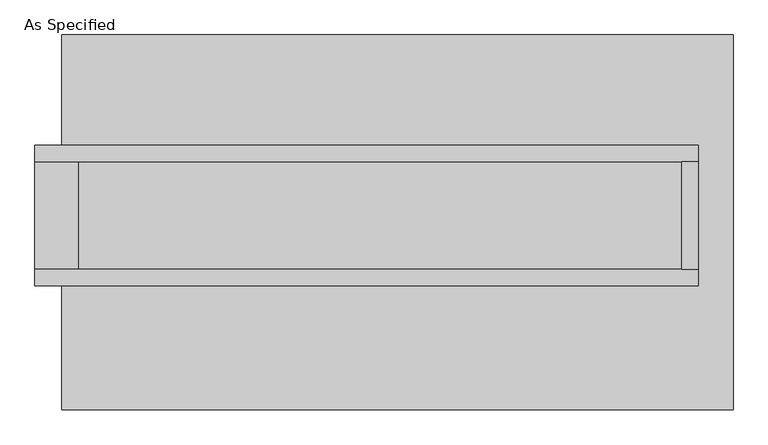
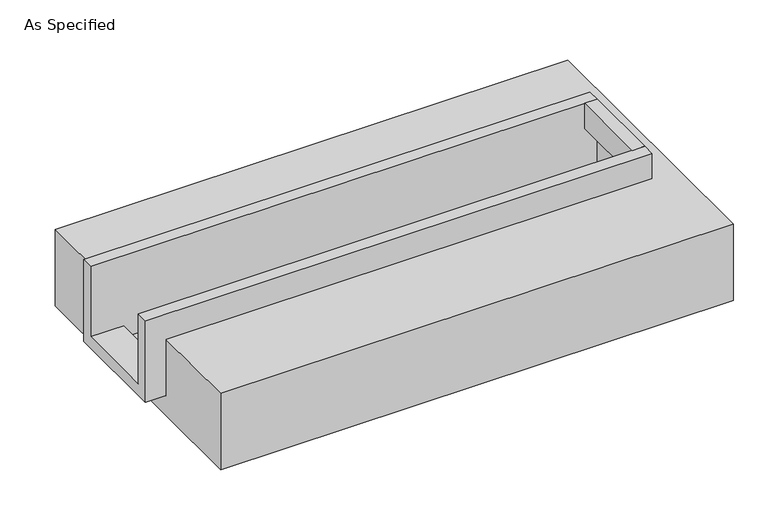
"""IFC4 building model written with IfcOpenShell, lengths in millimetres: proxy geometry, As Specified."""

from ifc_helpers import new_model, si_unit, frame, origin, place, context, project, spatial, polyline, outline, extrude, faceted_brep, source, transform, mapped, element, save


def as_specified_fd5f0c52(model_context):
    return source(origin(), model_context, "Body", "SolidModel", [
        extrude(outline(polyline([(1339.85, 285.75), (1416.05, 285.75), (1416.05, -222.25), (1339.85, -222.25), (1339.85, 285.75)])), frame((0.0, 0.0, -25.4), z_axis=(0.0, 0.0, 1.0), x_axis=(1.0, 0.0, 0.0)), (0.0, 0.0, 1.0), 165.1),
        faceted_brep([(1416.05, 285.75, 139.7), (1416.05, 285.75, -317.5), (1416.05, -222.25, -317.5), (1416.05, -222.25, 139.7), (1416.05, -298.45, 139.7), (1416.05, -298.45, -393.7), (1416.05, 361.95, -393.7), (1416.05, 361.95, 139.7), (-1708.15, 285.75, 139.7), (-1708.15, 361.95, 139.7), (-1708.15, 361.95, -393.7), (-1708.15, -298.45, -393.7), (-1708.15, -298.45, 139.7), (-1708.15, -222.25, 139.7), (-1708.15, -222.25, -317.5), (-1708.15, 285.75, -317.5), (-1504.95, 285.75, -393.7), (-1504.95, -222.25, -393.7), (1339.85, -222.25, -393.7), (1339.85, 285.75, -393.7), (1339.85, -222.25, -317.5), (-1504.95, -222.25, -317.5), (1339.85, 285.75, -317.5), (-1504.95, 285.75, -317.5)], [[[0, 1, 2, 3, 4, 5, 6, 7]], [[8, 9, 10, 11, 12, 13, 14, 15]], [[0, 7, 9, 8]], [[7, 6, 10, 9]], [[6, 5, 11, 10], [16, 17, 18, 19]], [[4, 3, 13, 12]], [[3, 2, 20, 18, 17, 21, 14, 13]], [[2, 1, 22, 20]], [[15, 14, 21, 23]], [[1, 0, 8, 15, 23, 16, 19, 22]], [[21, 17, 16, 23]], [[18, 20, 22, 19]], [[5, 4, 12, 11]]]),
        faceted_brep([(-1581.15, 882.65, -523.9742188), (1581.15, 882.65, -523.9742188), (1581.15, -882.65, -523.9742188), (-1581.15, -882.65, -523.9742188), (1581.15, 882.65, -25.4), (-1581.15, 882.65, -25.4), (-1581.15, 361.95, -25.4), (1416.05, 361.95, -25.4), (1416.05, -298.45, -25.4), (-1581.15, -298.45, -25.4), (-1581.15, -882.65, -25.4), (1581.15, -882.65, -25.4), (-1581.15, -298.45, -393.7), (-1581.15, 361.95, -393.7), (1416.05, 361.95, -393.7), (1416.05, -298.45, -393.7)], [[[0, 1, 2, 3]], [[4, 5, 6, 7, 8, 9, 10, 11]], [[1, 0, 5, 4]], [[5, 0, 3, 10, 9, 12, 13, 6]], [[1, 4, 11, 2]], [[3, 2, 11, 10]], [[14, 15, 8, 7]], [[13, 14, 7, 6]], [[15, 14, 13, 12]], [[15, 12, 9, 8]]]),
    ])


if __name__ == "__main__":
    model = new_model("IFC4")
    model_context = context("Model", 3, world=origin())
    ifc_project = project(units=[si_unit("LENGTHUNIT", "METRE", prefix="MILLI")], contexts=[model_context])
    site = spatial("IfcSite", under=ifc_project)
    building = spatial("IfcBuilding", under=site)
    placement = place(None, origin())
    as_specified_shape = as_specified_fd5f0c52(model_context)
    element("IfcBuildingElementProxy", 1, Name="As Specified", ObjectType="As Specified", at=placement, inside=building, context=model_context, shape_type="MappedRepresentation", body=[
        mapped(as_specified_shape, transform((0.0, 0.0, 0.0), x_axis=(1.0, 0.0, 0.0), y_axis=(0.0, 1.0, 0.0), z_axis=(0.0, 0.0, 1.0))),
    ])
    save(model, "model.ifc")
